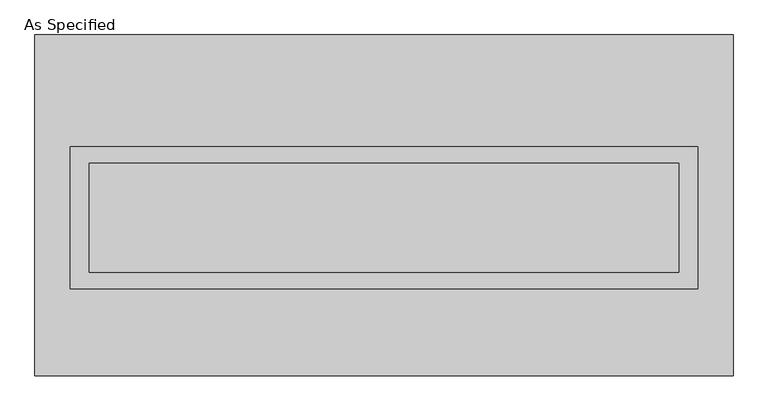
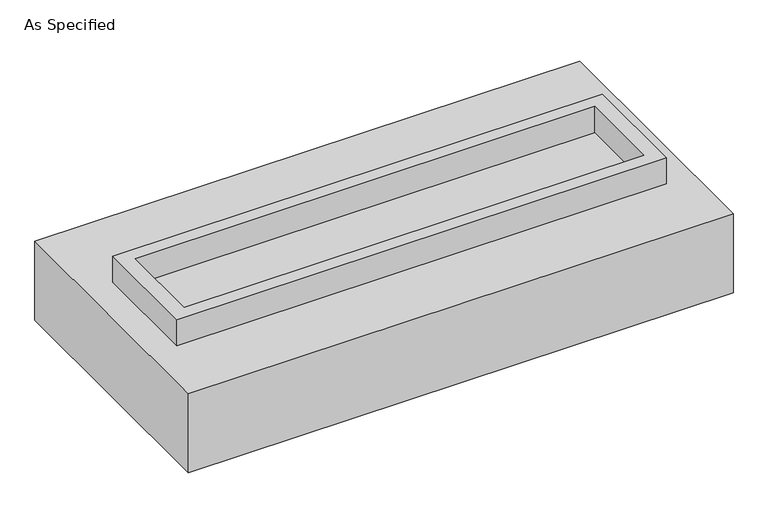
"""IFC4 building model written with IfcOpenShell, lengths in millimetres: proxy geometry, As Specified."""

from ifc_helpers import new_model, si_unit, frame, origin, place, context, project, spatial, polyline, outline, extrude, faceted_brep, source, transform, mapped, element, save


def as_specified_55ce3751(model_context):
    return source(origin(), model_context, "Body", "SolidModel", [
        extrude(outline(polyline([(1460.5, 273.05), (1460.5, -387.35), (-1460.5, -387.35), (-1460.5, 273.05), (1460.5, 273.05)]), holes=[polyline([(1371.6, 196.85), (-1371.6, 196.85), (-1371.6, -311.15), (1371.6, -311.15), (1371.6, 196.85)])]), frame((0.0, 0.0, -25.4), z_axis=(0.0, 0.0, 1.0), x_axis=(1.0, 0.0, 0.0)), (0.0, 0.0, 1.0), 165.1),
        extrude(outline(polyline([(1371.6, 196.85), (1371.6, -311.15), (-1371.6, -311.15), (-1371.6, 196.85), (1371.6, 196.85)])), frame((0.0, 0.0, -30.3609375), z_axis=(0.0, 0.0, 1.0), x_axis=(1.0, 0.0, 0.0)), (0.0, 0.0, 1.0), 4.9609375),
        faceted_brep([(1625.6, -793.75, -523.875), (-1625.6, -793.75, -523.875), (-1625.6, 793.75, -523.875), (1625.6, 793.75, -523.875), (1625.6, 793.75, -25.4), (-1625.6, 793.75, -25.4), (-1625.6, -793.75, -25.4), (1625.6, -793.75, -25.4), (1460.5, 273.05, -25.4), (1460.5, -387.35, -25.4), (-1460.5, -387.35, -25.4), (-1460.5, 273.05, -25.4), (1460.5, 273.05, -498.475), (-1460.5, 273.05, -498.475), (-1460.5, -387.35, -498.475), (1460.5, -387.35, -498.475)], [[[0, 1, 2, 3]], [[4, 5, 6, 7], [8, 9, 10, 11]], [[3, 2, 5, 4]], [[2, 1, 6, 5]], [[0, 3, 4, 7]], [[12, 13, 14, 15]], [[14, 13, 11, 10]], [[13, 12, 8, 11]], [[12, 15, 9, 8]], [[10, 9, 15, 14]], [[1, 0, 7, 6]]]),
    ])


if __name__ == "__main__":
    model = new_model("IFC4")
    model_context = context("Model", 3, world=origin())
    ifc_project = project(units=[si_unit("LENGTHUNIT", "METRE", prefix="MILLI")], contexts=[model_context])
    site = spatial("IfcSite", under=ifc_project)
    building = spatial("IfcBuilding", under=site)
    placement = place(None, origin())
    as_specified_shape = as_specified_55ce3751(model_context)
    element("IfcBuildingElementProxy", 1, Name="As Specified", ObjectType="As Specified", at=placement, inside=building, context=model_context, shape_type="MappedRepresentation", body=[
        mapped(as_specified_shape, transform((0.0, 0.0, 0.0), x_axis=(1.0, 0.0, 0.0), y_axis=(0.0, 1.0, 0.0), z_axis=(0.0, 0.0, 1.0))),
    ])
    save(model, "model.ifc")
